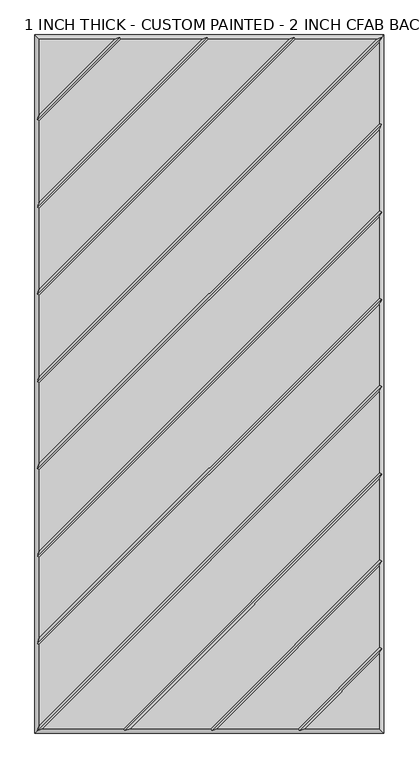
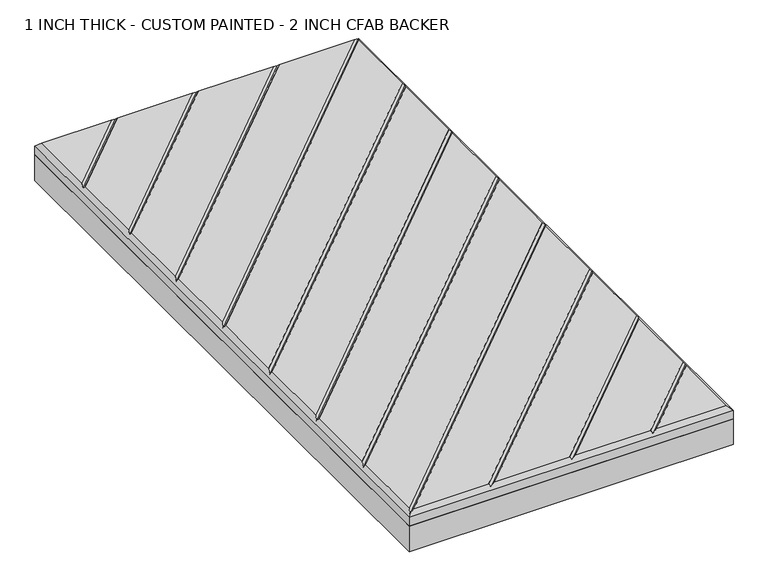
"""IFC4 building model written with IfcOpenShell, lengths in millimetres: proxy geometry, 1 INCH THICK - CUSTOM PAINTED - 2 INCH CFAB BACKER."""

from ifc_helpers import new_model, si_unit, frame, origin, place, context, project, spatial, polyline, outline, extrude, faceted_brep, source, transform, mapped, element, save


def proxy_1_inch_thick_custom_painted_2_inch_cfab_backer_489b4901(model_context):
    return source(origin(), model_context, "Body", "SolidModel", [
        extrude(outline(polyline([(-304.8, 609.6), (304.8, 609.6), (304.8, -609.6), (-304.8, -609.6), (-304.8, 609.6)])), frame((0.0, 0.0, -50.8), z_axis=(0.0, 0.0, 1.0), x_axis=(1.0, 0.0, 0.0)), (0.0, 0.0, 1.0), 50.8),
        faceted_brep([(-166.0590948, 601.599, 25.4), (-296.799, 601.599, 25.4), (-296.799, 470.8590948, 25.4), (-154.743972, 601.599, 25.4), (-296.799, 459.543972, 25.4), (-296.799, 318.4585868, 25.4), (-13.6585868, 601.599, 25.4), (-2.343464, 601.599, 25.4), (-296.799, 307.143464, 25.4), (-296.799, 166.0585747, 25.4), (138.7419092, 601.599, 25.4), (150.0570382, 601.599, 25.4), (-296.799, 154.7434583, 25.4), (-296.799, 13.6585614, 25.4), (291.1414386, 601.599, 25.4), (296.799, 595.9414386, 25.4), (-296.799, 2.3434386, 25.4), (-296.799, -138.7414132, 25.4), (296.799, 454.8565868, 25.4), (296.799, 443.541464, 25.4), (-296.799, -150.056536, 25.4), (-296.799, -291.1414132, 25.4), (296.799, 302.4565868, 25.4), (296.799, 291.141464, 25.4), (-296.799, -302.456536, 25.4), (-296.799, -443.5414132, 25.4), (296.799, 150.0565868, 25.4), (296.799, 138.741464, 25.4), (-296.799, -454.856536, 25.4), (-296.799, -595.9414386, 25.4), (296.799, -2.3434386, 25.4), (296.799, -13.6585614, 25.4), (-291.1414386, -601.599, 25.4), (-150.0565868, -601.599, 25.4), (296.799, -154.7434132, 25.4), (296.799, -166.058536, 25.4), (-138.741464, -601.599, 25.4), (2.3434382, -601.599, 25.4), (296.799, -307.1434137, 25.4), (296.799, -318.4585369, 25.4), (13.6585605, -601.599, 25.4), (154.743904, -601.599, 25.4), (296.799, -459.5434305, 25.4), (166.0590079, -601.599, 25.4), (296.799, -601.599, 25.4), (296.799, -470.8585721, 25.4), (-304.8, 609.6, 0.0), (304.8, 609.6, 0.0), (304.8, -609.6, 0.0), (-304.8, -609.6, 0.0), (-304.8, -609.6, 17.399), (-304.8, 609.6, 17.399), (304.8, -609.6, 17.399), (304.8, 609.6, 17.399), (-156.4010334, 605.5995, 21.3995), (-4.0005254, 605.5995, 21.3995), (148.3999782, 605.5995, 21.3995), (300.7995, 605.5995, 21.3995), (-300.7995, -605.5995, 21.3995), (-300.7995, -453.1994746, 21.3995), (-300.7995, -300.7994746, 21.3995), (-300.7995, -148.3994746, 21.3995), (-300.7995, 4.0005, 21.3995), (-300.7995, 156.400521, 21.3995), (-300.7995, 308.8005254, 21.3995), (-300.7995, 461.2010334, 21.3995), (156.4009693, -605.5995, 21.3995), (4.0004997, -605.5995, 21.3995), (-148.3995254, -605.5995, 21.3995), (300.7995, 453.1995254, 21.3995), (300.7995, 300.7995254, 21.3995), (300.7995, 148.3995254, 21.3995), (300.7995, -4.0005, 21.3995), (300.7995, -156.4004746, 21.3995), (300.7995, -308.8004749, 21.3995), (300.7995, -461.2004879, 21.3995)], [[[0, 1, 2]], [[3, 4, 5, 6]], [[7, 8, 9, 10]], [[11, 12, 13, 14]], [[15, 16, 17, 18]], [[19, 20, 21, 22]], [[23, 24, 25, 26]], [[27, 28, 29, 30]], [[31, 32, 33, 34]], [[35, 36, 37, 38]], [[39, 40, 41, 42]], [[43, 44, 45]], [[46, 47, 48, 49]], [[46, 49, 50, 51]], [[49, 48, 52, 50]], [[48, 47, 53, 52]], [[47, 46, 51, 53]], [[51, 1, 0, 54, 3, 6, 55, 7, 10, 56, 11, 14, 57, 53]], [[1, 51, 50, 58, 29, 28, 59, 25, 24, 60, 21, 20, 61, 17, 16, 62, 13, 12, 63, 9, 8, 64, 5, 4, 65, 2]], [[52, 44, 43, 66, 41, 40, 67, 37, 36, 68, 33, 32, 58, 50]], [[44, 52, 53, 57, 15, 18, 69, 19, 22, 70, 23, 26, 71, 27, 30, 72, 31, 34, 73, 35, 38, 74, 39, 42, 75, 45]], [[65, 54, 0, 2]], [[54, 65, 4, 3]], [[64, 55, 6, 5]], [[55, 64, 8, 7]], [[63, 56, 10, 9]], [[56, 63, 12, 11]], [[62, 57, 14, 13]], [[57, 62, 16, 15]], [[61, 69, 18, 17]], [[69, 61, 20, 19]], [[60, 70, 22, 21]], [[70, 60, 24, 23]], [[59, 71, 26, 25]], [[71, 59, 28, 27]], [[58, 72, 30, 29]], [[72, 58, 32, 31]], [[68, 73, 34, 33]], [[73, 68, 36, 35]], [[67, 74, 38, 37]], [[74, 67, 40, 39]], [[66, 75, 42, 41]], [[75, 66, 43, 45]]]),
    ])


if __name__ == "__main__":
    model = new_model("IFC4")
    model_context = context("Model", 3, world=origin())
    ifc_project = project(units=[si_unit("LENGTHUNIT", "METRE", prefix="MILLI")], contexts=[model_context])
    site = spatial("IfcSite", under=ifc_project)
    building = spatial("IfcBuilding", under=site)
    placement = place(None, origin())
    proxy_1_inch_thick_custom_painted_2_inch_cfab_backer_shape = proxy_1_inch_thick_custom_painted_2_inch_cfab_backer_489b4901(model_context)
    element("IfcBuildingElementProxy", 1, Name="1 INCH THICK - CUSTOM PAINTED - 2 INCH CFAB BACKER", ObjectType="1 INCH THICK - CUSTOM PAINTED - 2 INCH CFAB BACKER", at=placement, inside=building, context=model_context, shape_type="MappedRepresentation", body=[
        mapped(proxy_1_inch_thick_custom_painted_2_inch_cfab_backer_shape, transform((0.0, 0.0, 0.0), x_axis=(1.0, 0.0, 0.0), y_axis=(0.0, 1.0, 0.0), z_axis=(0.0, 0.0, 1.0))),
    ])
    save(model, "model.ifc")
